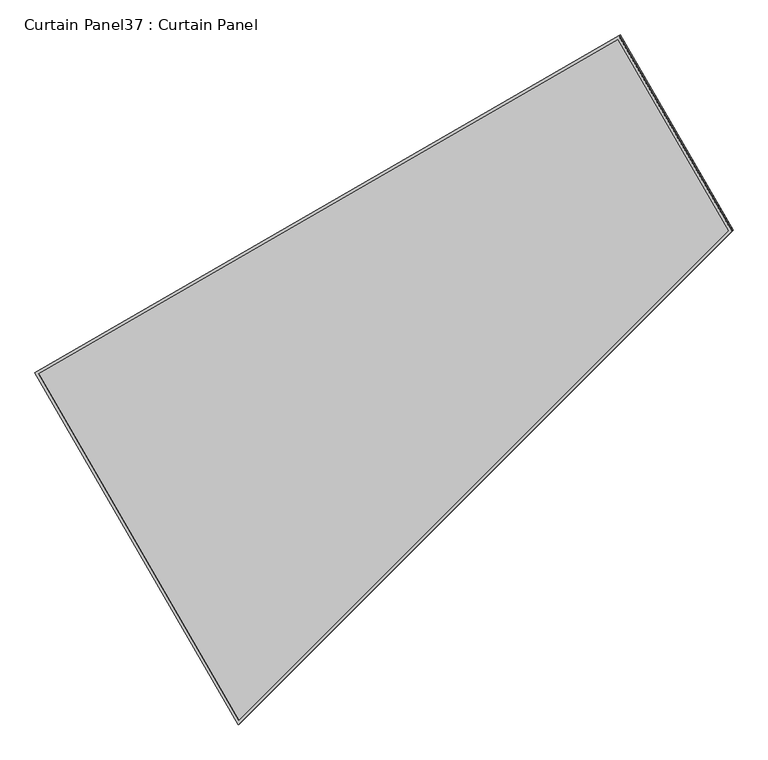
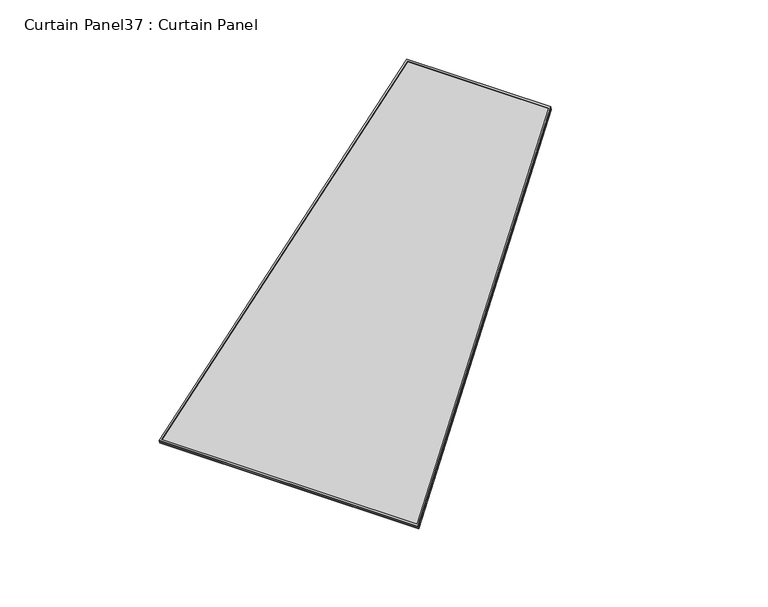
"""IFC4 building model written with IfcOpenShell, lengths in millimetres: plate geometry, Curtain Panel37 : Curtain Panel."""

import ifcopenshell
import ifcopenshell.guid

model = None  # the IFC model being written
_history = None  # IfcOwnerHistory: only IFC2X3 demands one
_inside = {}  # id of a spatial element -> (the spatial element, [elements in it])
_under = {}  # id of a project, library or spatial element -> (it, [spatial elements below it])
_declared = {}  # id of a project -> (the project, [libraries it declares])
_typed = {}  # id of a type object -> (the type object, [elements of that type])
_made_of = {}  # id of a material, layer set ... -> (it, [elements and type objects made of it])


def new_model(schema):
    """Start an empty IFC model of exactly this schema.

    Asked for "IFC4X3", IfcOpenShell would pick the latest addendum, in which some entities
    have other attributes; the version numbers below select the first issue.
    IFC2X3 requires an IfcOwnerHistory on every rooted entity: one is made here for all.
    """
    global model, _history
    if schema == "IFC4X3":
        model = ifcopenshell.file(schema_version=(4, 3, 0, 0))
    else:
        model = ifcopenshell.file(schema=schema)
    _inside.clear()
    _under.clear()
    _declared.clear()
    _typed.clear()
    _made_of.clear()
    _history = None
    if model.schema == "IFC2X3":
        org = make("IfcOrganization", Name="unknown")
        user = make(
            "IfcPersonAndOrganization",
            ThePerson=make("IfcPerson", FamilyName="unknown"),
            TheOrganization=org,
        )
        app = make(
            "IfcApplication",
            ApplicationDeveloper=org,
            Version="unknown",
            ApplicationFullName="unknown",
            ApplicationIdentifier="unknown",
        )
        _history = make(
            "IfcOwnerHistory",
            OwningUser=user,
            OwningApplication=app,
            ChangeAction="ADDED",
            CreationDate=0,
        )
    return model


def make(cls, **values):
    """One entity of the class cls with the attributes given. An attribute that is None is left unset."""
    return model.create_entity(
        cls, **{name: value for name, value in values.items() if value is not None}
    )


def rooted(cls, **values):
    """An entity with a GlobalId (a new one), such as an element, a storey or a relation."""
    return make(cls, GlobalId=ifcopenshell.guid.new(), OwnerHistory=_history, **values)


def si_unit(unit_type, name, prefix=None):
    """IfcSIUnit, for example si_unit("LENGTHUNIT", "METRE", prefix="MILLI")."""
    return make("IfcSIUnit", UnitType=unit_type, Prefix=prefix, Name=name)


def assignment(units):
    """IfcUnitAssignment: the units of a project."""
    return None if units is None else make("IfcUnitAssignment", Units=units)


def point(xyz):
    """IfcCartesianPoint."""
    return None if xyz is None else make("IfcCartesianPoint", Coordinates=xyz)


def direction(xyz):
    """IfcDirection."""
    return None if xyz is None else make("IfcDirection", DirectionRatios=xyz)


def frame(location, z_axis=None, x_axis=None):
    """IfcAxis2Placement3D, a coordinate frame: its origin and axes. An axis left out is left unset."""
    return make(
        "IfcAxis2Placement3D",
        Location=point(location),
        Axis=direction(z_axis),
        RefDirection=direction(x_axis),
    )


def origin():
    """The frame at (0, 0, 0) with its axes left unset."""
    return frame((0.0, 0.0, 0.0))


def place(relative_to, where):
    """IfcLocalPlacement: puts the frame where relative to a parent placement (None: the world)."""
    return make(
        "IfcLocalPlacement", PlacementRelTo=relative_to, RelativePlacement=where
    )


def context(
    kind, dimensions, precision=None, world=None, true_north=None, identifier=None
):
    """IfcGeometricRepresentationContext, for example the 3D "Model" context."""
    return make(
        "IfcGeometricRepresentationContext",
        ContextIdentifier=identifier,
        ContextType=kind,
        CoordinateSpaceDimension=dimensions,
        Precision=precision,
        WorldCoordinateSystem=world,
        TrueNorth=true_north,
    )


def project(units=None, contexts=None):
    """IfcProject with its units and contexts."""
    return rooted(
        "IfcProject",
        Name="project",
        RepresentationContexts=contexts,
        UnitsInContext=assignment(units),
    )


def spatial(cls, under=None, at=None, **own):
    """A site, building, storey or space (cls), placed at a placement, below another one or the project."""
    s = rooted(cls, ObjectPlacement=at, **own)
    if under is not None:
        _under.setdefault(under.id(), (under, []))[1].append(s)
    return s


def polyline(points):
    """IfcPolyline through the points."""
    return make("IfcPolyline", Points=[point(p) for p in points])


def outline(outer, holes=None, kind="AREA"):
    """IfcArbitraryClosedProfileDef: a profile drawn as a closed curve; with holes, ...WithVoids."""
    if holes is None:
        return make("IfcArbitraryClosedProfileDef", ProfileType=kind, OuterCurve=outer)
    return make(
        "IfcArbitraryProfileDefWithVoids",
        ProfileType=kind,
        OuterCurve=outer,
        InnerCurves=holes,
    )


def extrude(swept, where, along, depth):
    """IfcExtrudedAreaSolid: the profile swept, set in the frame where, extruded along a direction by depth."""
    return make(
        "IfcExtrudedAreaSolid",
        SweptArea=swept,
        Position=where,
        ExtrudedDirection=direction(along),
        Depth=depth,
    )


def shape(context_of_items, identifier, shape_type, items):
    """IfcShapeRepresentation: the items that make up one representation, for example the "Body"."""
    return make(
        "IfcShapeRepresentation",
        ContextOfItems=context_of_items,
        RepresentationIdentifier=identifier,
        RepresentationType=shape_type,
        Items=items,
    )


def source(mapping_origin, context_of_items, identifier, shape_type, items):
    """IfcRepresentationMap: a shape defined once, which mapped items show again and again."""
    return make(
        "IfcRepresentationMap",
        MappingOrigin=mapping_origin,
        MappedRepresentation=shape(context_of_items, identifier, shape_type, items),
    )


def transform(
    local_origin,
    x_axis=None,
    y_axis=None,
    z_axis=None,
    scale=None,
    scale2=None,
    scale3=None,
    uniform=True,
):
    """IfcCartesianTransformationOperator3D, or its non-uniform kind. x_axis, y_axis, z_axis: its Axis1, 2, 3."""
    if uniform:
        return make(
            "IfcCartesianTransformationOperator3D",
            Axis1=direction(x_axis),
            Axis2=direction(y_axis),
            LocalOrigin=point(local_origin),
            Scale=scale,
            Axis3=direction(z_axis),
        )
    return make(
        "IfcCartesianTransformationOperator3DnonUniform",
        Axis1=direction(x_axis),
        Axis2=direction(y_axis),
        LocalOrigin=point(local_origin),
        Scale=scale,
        Axis3=direction(z_axis),
        Scale2=scale2,
        Scale3=scale3,
    )


def mapped(mapping_source, mapping_target):
    """IfcMappedItem: shows the shape of a source again, moved by a transform."""
    return make(
        "IfcMappedItem", MappingSource=mapping_source, MappingTarget=mapping_target
    )


def made_of(thing, what):
    """Note that an element or type object is made of a material, layer set ...; save() writes the relation."""
    if what is not None:
        _made_of.setdefault(what.id(), (what, []))[1].append(thing)
    return thing


def element(
    cls,
    number,
    at=None,
    inside=None,
    cuts=None,
    type_object=None,
    material=None,
    context=None,
    identifier="Body",
    shape_type=None,
    held_by="IfcProductDefinitionShape",
    body=None,
    shapes=None,
    **own,
):
    """One element of the class cls, such as IfcWall. Its Tag is "e" and its number.

    at: its placement. inside: the storey or other place that contains it. cuts: it is an
    opening in that element (IfcRelVoidsElement). A single representation is given by context,
    identifier, shape_type and body (its items); several are given by shapes. held_by: the class
    of the entity that holds the representations. save() writes the other relations.
    """
    e = rooted(cls, Tag="e%d" % number, ObjectPlacement=at, **own)
    if body is not None:
        shapes = [shape(context, identifier, shape_type, body)]
    if shapes is not None:
        e.Representation = make(held_by, Representations=shapes)
    if inside is not None:
        _inside.setdefault(inside.id(), (inside, []))[1].append(e)
    if cuts is not None:
        rooted(
            "IfcRelVoidsElement", RelatingBuildingElement=cuts, RelatedOpeningElement=e
        )
    if type_object is not None:
        _typed.setdefault(type_object.id(), (type_object, []))[1].append(e)
    return made_of(e, material)


def aggregate(whole, parts):
    """IfcRelAggregates: a whole, such as a stair, and the parts it consists of."""
    return rooted("IfcRelAggregates", RelatingObject=whole, RelatedObjects=parts)


def save(model, path):
    """Write the relations noted so far, then the file.

    IfcRelAggregates (storeys below a building ...), IfcRelContainedInSpatialStructure (elements
    in a storey), IfcRelDefinesByType, IfcRelAssociatesMaterial and IfcRelDeclares: one each for
    every whole, place, type object, material and project.
    """
    for whole, parts in _under.values():
        aggregate(whole, parts)
    for where, things in _inside.values():
        rooted(
            "IfcRelContainedInSpatialStructure",
            RelatedElements=things,
            RelatingStructure=where,
        )
    for kind, things in _typed.values():
        rooted("IfcRelDefinesByType", RelatedObjects=things, RelatingType=kind)
    for what, things in _made_of.values():
        rooted("IfcRelAssociatesMaterial", RelatedObjects=things, RelatingMaterial=what)
    for by, libraries in _declared.values():
        rooted("IfcRelDeclares", RelatingContext=by, RelatedDefinitions=libraries)
    model.write(path)


def curtain_panel37_curtain_panel_5f345b5e(model_context):
    return source(origin(), model_context, "Body", "SweptSolid", [
        extrude(outline(polyline([(1625.9225981, -2842.2762641), (722.5243658, -2842.276264), (0.0, 0.0), (1625.9225981, -1e-07), (1625.9225981, -2842.2762641)]), holes=[polyline([(1614.8100981, -11.1125001), (14.290796, -11.1125001), (731.165428, -2831.163764), (1614.8100981, -2831.1637641), (1614.8100981, -11.1125001)])]), frame((5413.0817304, -5517.3729503, -9.1561314), z_axis=(-0.2737903148616839, -0.15807291198690304, 0.9487106081329126), x_axis=(-0.49999999999999384, 0.8660254037844421, 0.0)), (0.0, 0.0, 1.0), 4.8457456),
        extrude(outline(polyline([(1625.9225981, -2842.276264), (722.5243658, -2842.276264), (0.0, 0.0), (1625.9225981, -1e-07), (1625.9225981, -2842.276264)]), holes=[polyline([(1614.8100981, -11.1125), (14.2907959, -11.1125), (731.165428, -2831.163764), (1614.8100981, -2831.163764), (1614.8100981, -11.1125)])]), frame((5417.9067557, -5514.5872206, -25.8753228), z_axis=(-0.2737903148616797, -0.1580729119869006, 0.9487106081329143), x_axis=(-0.49999999999999384, 0.8660254037844423, 0.0)), (0.0, 0.0, 1.0), 4.643455),
        extrude(outline(polyline([(25.6727144, 0.0), (1651.5953125, 0.0), (1651.5953125, -2842.2762641), (748.1970802, -2842.276264), (25.6727144, 0.0)])), frame((5429.4717799, -5537.5544479, -21.4700278), z_axis=(-0.27379031486168043, -0.15807291198690107, 0.9487106081329141), x_axis=(-0.4999999999999943, 0.866025403784442, 0.0)), (0.0, 0.0, 1.0), 12.9796129),
    ])


if __name__ == "__main__":
    model = new_model("IFC4")
    model_context = context("Model", 3, world=origin())
    ifc_project = project(units=[si_unit("LENGTHUNIT", "METRE", prefix="MILLI")], contexts=[model_context])
    site = spatial("IfcSite", under=ifc_project)
    building = spatial("IfcBuilding", under=site)
    placement = place(None, origin())
    curtain_panel37_curtain_panel_shape = curtain_panel37_curtain_panel_5f345b5e(model_context)
    element("IfcPlate", 1, ObjectType="Curtain Panel37 : Curtain Panel", at=placement, inside=building, context=model_context, shape_type="MappedRepresentation", body=[
        mapped(curtain_panel37_curtain_panel_shape, transform((0.0, 0.0, 0.0), x_axis=(1.0, 0.0, 0.0), y_axis=(0.0, 1.0, 0.0), z_axis=(0.0, 0.0, 1.0))),
    ])
    save(model, "model.ifc")
